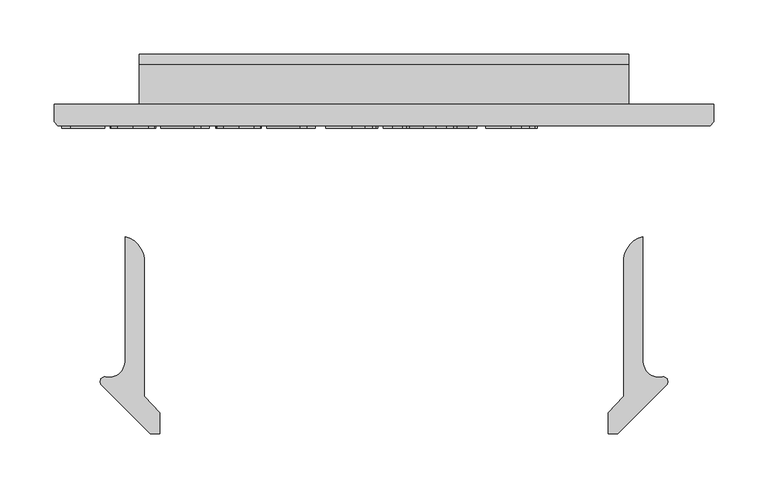
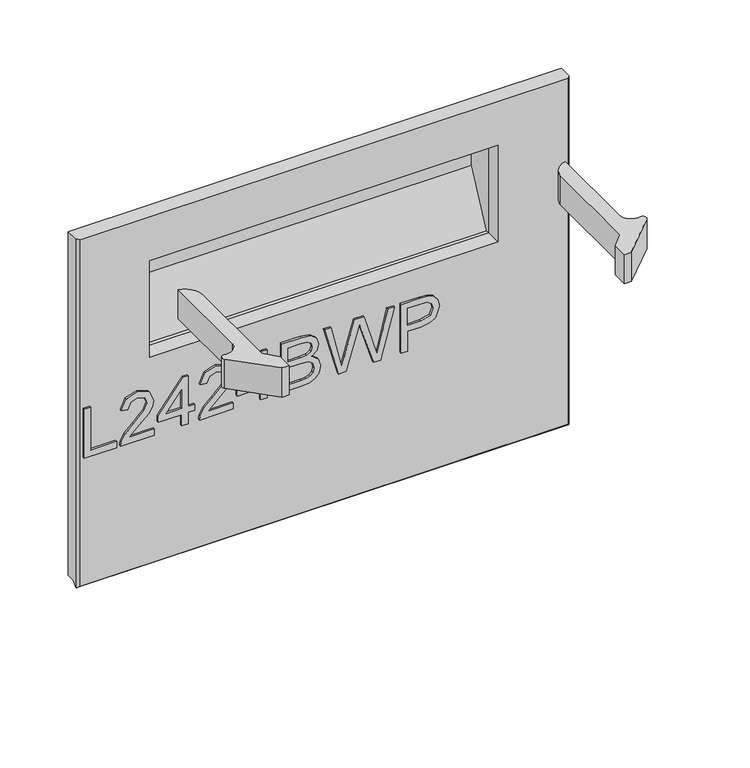
"""IFC4 building model written with IfcOpenShell, lengths in millimetres: furniture geometry."""

import ifcopenshell
import ifcopenshell.guid

model = None  # the IFC model being written
_history = None  # IfcOwnerHistory: only IFC2X3 demands one
_inside = {}  # id of a spatial element -> (the spatial element, [elements in it])
_under = {}  # id of a project, library or spatial element -> (it, [spatial elements below it])
_declared = {}  # id of a project -> (the project, [libraries it declares])
_typed = {}  # id of a type object -> (the type object, [elements of that type])
_made_of = {}  # id of a material, layer set ... -> (it, [elements and type objects made of it])


def new_model(schema):
    """Start an empty IFC model of exactly this schema.

    Asked for "IFC4X3", IfcOpenShell would pick the latest addendum, in which some entities
    have other attributes; the version numbers below select the first issue.
    IFC2X3 requires an IfcOwnerHistory on every rooted entity: one is made here for all.
    """
    global model, _history
    if schema == "IFC4X3":
        model = ifcopenshell.file(schema_version=(4, 3, 0, 0))
    else:
        model = ifcopenshell.file(schema=schema)
    _inside.clear()
    _under.clear()
    _declared.clear()
    _typed.clear()
    _made_of.clear()
    _history = None
    if model.schema == "IFC2X3":
        org = make("IfcOrganization", Name="unknown")
        user = make(
            "IfcPersonAndOrganization",
            ThePerson=make("IfcPerson", FamilyName="unknown"),
            TheOrganization=org,
        )
        app = make(
            "IfcApplication",
            ApplicationDeveloper=org,
            Version="unknown",
            ApplicationFullName="unknown",
            ApplicationIdentifier="unknown",
        )
        _history = make(
            "IfcOwnerHistory",
            OwningUser=user,
            OwningApplication=app,
            ChangeAction="ADDED",
            CreationDate=0,
        )
    return model


def make(cls, **values):
    """One entity of the class cls with the attributes given. An attribute that is None is left unset."""
    return model.create_entity(
        cls, **{name: value for name, value in values.items() if value is not None}
    )


def rooted(cls, **values):
    """An entity with a GlobalId (a new one), such as an element, a storey or a relation."""
    return make(cls, GlobalId=ifcopenshell.guid.new(), OwnerHistory=_history, **values)


def si_unit(unit_type, name, prefix=None):
    """IfcSIUnit, for example si_unit("LENGTHUNIT", "METRE", prefix="MILLI")."""
    return make("IfcSIUnit", UnitType=unit_type, Prefix=prefix, Name=name)


def assignment(units):
    """IfcUnitAssignment: the units of a project."""
    return None if units is None else make("IfcUnitAssignment", Units=units)


def point(xyz):
    """IfcCartesianPoint."""
    return None if xyz is None else make("IfcCartesianPoint", Coordinates=xyz)


def direction(xyz):
    """IfcDirection."""
    return None if xyz is None else make("IfcDirection", DirectionRatios=xyz)


def frame(location, z_axis=None, x_axis=None):
    """IfcAxis2Placement3D, a coordinate frame: its origin and axes. An axis left out is left unset."""
    return make(
        "IfcAxis2Placement3D",
        Location=point(location),
        Axis=direction(z_axis),
        RefDirection=direction(x_axis),
    )


def frame_2d(location, x_axis=None):
    """IfcAxis2Placement2D, a coordinate frame in the plane: its origin and x axis."""
    return make(
        "IfcAxis2Placement2D", Location=point(location), RefDirection=direction(x_axis)
    )


def origin():
    """The frame at (0, 0, 0) with its axes left unset."""
    return frame((0.0, 0.0, 0.0))


def place(relative_to, where):
    """IfcLocalPlacement: puts the frame where relative to a parent placement (None: the world)."""
    return make(
        "IfcLocalPlacement", PlacementRelTo=relative_to, RelativePlacement=where
    )


def context(
    kind, dimensions, precision=None, world=None, true_north=None, identifier=None
):
    """IfcGeometricRepresentationContext, for example the 3D "Model" context."""
    return make(
        "IfcGeometricRepresentationContext",
        ContextIdentifier=identifier,
        ContextType=kind,
        CoordinateSpaceDimension=dimensions,
        Precision=precision,
        WorldCoordinateSystem=world,
        TrueNorth=true_north,
    )


def project(units=None, contexts=None):
    """IfcProject with its units and contexts."""
    return rooted(
        "IfcProject",
        Name="project",
        RepresentationContexts=contexts,
        UnitsInContext=assignment(units),
    )


def spatial(cls, under=None, at=None, **own):
    """A site, building, storey or space (cls), placed at a placement, below another one or the project."""
    s = rooted(cls, ObjectPlacement=at, **own)
    if under is not None:
        _under.setdefault(under.id(), (under, []))[1].append(s)
    return s


def polyline(points):
    """IfcPolyline through the points."""
    return make("IfcPolyline", Points=[point(p) for p in points])


def circle_curve(where, radius):
    """IfcCircle in the frame where."""
    return make("IfcCircle", Position=where, Radius=radius)


def trimmed(basis, trim1, trim2, sense, master):
    """IfcTrimmedCurve: the piece of a basis curve between two trims."""
    return make(
        "IfcTrimmedCurve",
        BasisCurve=basis,
        Trim1=trim1,
        Trim2=trim2,
        SenseAgreement=sense,
        MasterRepresentation=master,
    )


def segment(curve, same_sense, transition):
    """IfcCompositeCurveSegment."""
    return make(
        "IfcCompositeCurveSegment",
        Transition=transition,
        SameSense=same_sense,
        ParentCurve=curve,
    )


def composite_curve(segments, self_intersect=None):
    """IfcCompositeCurve: segments joined end to end."""
    return make("IfcCompositeCurve", Segments=segments, SelfIntersect=self_intersect)


def outline(outer, holes=None, kind="AREA"):
    """IfcArbitraryClosedProfileDef: a profile drawn as a closed curve; with holes, ...WithVoids."""
    if holes is None:
        return make("IfcArbitraryClosedProfileDef", ProfileType=kind, OuterCurve=outer)
    return make(
        "IfcArbitraryProfileDefWithVoids",
        ProfileType=kind,
        OuterCurve=outer,
        InnerCurves=holes,
    )


def extrude(swept, where, along, depth):
    """IfcExtrudedAreaSolid: the profile swept, set in the frame where, extruded along a direction by depth."""
    return make(
        "IfcExtrudedAreaSolid",
        SweptArea=swept,
        Position=where,
        ExtrudedDirection=direction(along),
        Depth=depth,
    )


def faces_of(points, faces, orient=None, outer=None):
    """IfcFace entities. A face is a list of loops; a loop is a list of indices into points, from 0.

    orient and outer hold one flag for each loop. By default every Orientation is true, the
    first loop of a face is its IfcFaceOuterBound and the others are IfcFaceBound.
    """
    made = []
    for i, loops in enumerate(faces):
        bounds = []
        for j, loop in enumerate(loops):
            is_outer = j == 0 if outer is None else outer[i][j]
            bounds.append(
                make(
                    "IfcFaceOuterBound" if is_outer else "IfcFaceBound",
                    Bound=make("IfcPolyLoop", Polygon=[points[k] for k in loop]),
                    Orientation=True if orient is None else orient[i][j],
                )
            )
        made.append(make("IfcFace", Bounds=bounds))
    return made


def faceted_brep(points, faces, orient=None, outer=None, voids=None):
    """IfcFacetedBrep: a solid bounded by flat faces; with voids (closed shells), ...WithVoids."""
    shared = [point(p) for p in points]
    hull = make("IfcClosedShell", CfsFaces=faces_of(shared, faces, orient, outer))
    if voids is None:
        return make("IfcFacetedBrep", Outer=hull)
    return make(
        "IfcFacetedBrepWithVoids",
        Outer=hull,
        Voids=[
            make(cls, CfsFaces=faces_of(shared, fs, o, b)) for cls, fs, o, b in voids
        ],
    )


def shape(context_of_items, identifier, shape_type, items):
    """IfcShapeRepresentation: the items that make up one representation, for example the "Body"."""
    return make(
        "IfcShapeRepresentation",
        ContextOfItems=context_of_items,
        RepresentationIdentifier=identifier,
        RepresentationType=shape_type,
        Items=items,
    )


def source(mapping_origin, context_of_items, identifier, shape_type, items):
    """IfcRepresentationMap: a shape defined once, which mapped items show again and again."""
    return make(
        "IfcRepresentationMap",
        MappingOrigin=mapping_origin,
        MappedRepresentation=shape(context_of_items, identifier, shape_type, items),
    )


def transform(
    local_origin,
    x_axis=None,
    y_axis=None,
    z_axis=None,
    scale=None,
    scale2=None,
    scale3=None,
    uniform=True,
):
    """IfcCartesianTransformationOperator3D, or its non-uniform kind. x_axis, y_axis, z_axis: its Axis1, 2, 3."""
    if uniform:
        return make(
            "IfcCartesianTransformationOperator3D",
            Axis1=direction(x_axis),
            Axis2=direction(y_axis),
            LocalOrigin=point(local_origin),
            Scale=scale,
            Axis3=direction(z_axis),
        )
    return make(
        "IfcCartesianTransformationOperator3DnonUniform",
        Axis1=direction(x_axis),
        Axis2=direction(y_axis),
        LocalOrigin=point(local_origin),
        Scale=scale,
        Axis3=direction(z_axis),
        Scale2=scale2,
        Scale3=scale3,
    )


def mapped(mapping_source, mapping_target):
    """IfcMappedItem: shows the shape of a source again, moved by a transform."""
    return make(
        "IfcMappedItem", MappingSource=mapping_source, MappingTarget=mapping_target
    )


def made_of(thing, what):
    """Note that an element or type object is made of a material, layer set ...; save() writes the relation."""
    if what is not None:
        _made_of.setdefault(what.id(), (what, []))[1].append(thing)
    return thing


def element(
    cls,
    number,
    at=None,
    inside=None,
    cuts=None,
    type_object=None,
    material=None,
    context=None,
    identifier="Body",
    shape_type=None,
    held_by="IfcProductDefinitionShape",
    body=None,
    shapes=None,
    **own,
):
    """One element of the class cls, such as IfcWall. Its Tag is "e" and its number.

    at: its placement. inside: the storey or other place that contains it. cuts: it is an
    opening in that element (IfcRelVoidsElement). A single representation is given by context,
    identifier, shape_type and body (its items); several are given by shapes. held_by: the class
    of the entity that holds the representations. save() writes the other relations.
    """
    e = rooted(cls, Tag="e%d" % number, ObjectPlacement=at, **own)
    if body is not None:
        shapes = [shape(context, identifier, shape_type, body)]
    if shapes is not None:
        e.Representation = make(held_by, Representations=shapes)
    if inside is not None:
        _inside.setdefault(inside.id(), (inside, []))[1].append(e)
    if cuts is not None:
        rooted(
            "IfcRelVoidsElement", RelatingBuildingElement=cuts, RelatedOpeningElement=e
        )
    if type_object is not None:
        _typed.setdefault(type_object.id(), (type_object, []))[1].append(e)
    return made_of(e, material)


def aggregate(whole, parts):
    """IfcRelAggregates: a whole, such as a stair, and the parts it consists of."""
    return rooted("IfcRelAggregates", RelatingObject=whole, RelatedObjects=parts)


def save(model, path):
    """Write the relations noted so far, then the file.

    IfcRelAggregates (storeys below a building ...), IfcRelContainedInSpatialStructure (elements
    in a storey), IfcRelDefinesByType, IfcRelAssociatesMaterial and IfcRelDeclares: one each for
    every whole, place, type object, material and project.
    """
    for whole, parts in _under.values():
        aggregate(whole, parts)
    for where, things in _inside.values():
        rooted(
            "IfcRelContainedInSpatialStructure",
            RelatedElements=things,
            RelatingStructure=where,
        )
    for kind, things in _typed.values():
        rooted("IfcRelDefinesByType", RelatedObjects=things, RelatingType=kind)
    for what, things in _made_of.values():
        rooted("IfcRelAssociatesMaterial", RelatedObjects=things, RelatingMaterial=what)
    for by, libraries in _declared.values():
        rooted("IfcRelDeclares", RelatingContext=by, RelatedDefinitions=libraries)
    model.write(path)


def plane_surface(at):
    """IfcPlane: the flat surface through the origin of the frame at, square to its z axis."""
    return make("IfcPlane", Position=at)


def cylinder_surface(at, radius):
    """IfcCylindricalSurface: all points at the distance radius from the z axis of the frame at."""
    return make("IfcCylindricalSurface", Position=at, Radius=radius)


def advanced_brep(points, edges, surfaces, faces):
    """IfcAdvancedBrep: a solid bounded by faces that lie on surfaces and meet in shared edges.

    An edge is (start, end): straight between two places in points (the first is 0);
    or (start, end, curve); or (start, end, curve, False) where it runs against its curve.
    A face is (place in surfaces, loops), or (place, loops, False) where it looks against
    its surface's normal. A loop lists edges by number (the first is 1), with a minus sign
    where the edge is run from its end to its start. The first loop is the outer one.
    """
    corners = [point(p) for p in points]
    vertices = [make("IfcVertexPoint", VertexGeometry=c) for c in corners]
    made = []
    for start, end, *more in edges:
        made.append(
            make(
                "IfcEdgeCurve",
                EdgeStart=vertices[start],
                EdgeEnd=vertices[end],
                EdgeGeometry=more[0] if more else make("IfcPolyline", Points=[corners[start], corners[end]]),
                SameSense=more[1] if len(more) > 1 else True,
            )
        )
    hull = []
    for where, loops, *sense in faces:
        bounds = []
        for j, loop in enumerate(loops):
            ring = [make("IfcOrientedEdge", EdgeElement=made[abs(k) - 1], Orientation=k > 0) for k in loop]
            bounds.append(
                make(
                    "IfcFaceOuterBound" if j == 0 else "IfcFaceBound",
                    Bound=make("IfcEdgeLoop", EdgeList=ring),
                    Orientation=True,
                )
            )
        hull.append(make("IfcAdvancedFace", Bounds=bounds, FaceSurface=surfaces[where], SameSense=sense[0] if sense else True))
    return make("IfcAdvancedBrep", Outer=make("IfcClosedShell", CfsFaces=hull))


def furniture_903c7173(model_context):
    return source(origin(), model_context, "Body", "SolidModel", [
        extrude(outline(polyline([(676.671875, -279.0852904), (676.671875, -239.2166923), (684.6455946, -239.2166923), (684.6455946, -271.1115708), (740.4616319, -271.1115708), (740.4616319, -279.0852904), (676.671875, -279.0852904)])), frame((0.0, -21.9273437, 0.0), z_axis=(0.0, 1.0, 0.0), x_axis=(0.0, 0.0, 1.0)), (0.0, 0.0, 1.0), 2.38125),
        extrude(outline(polyline([(684.6455946, -192.3710896), (684.6455946, -223.6897422), (688.7025359, -220.0922242), (696.372569, -210.9193319), (707.2974993, -199.4960441), (715.1154822, -194.7850086), (722.6764995, -193.3678045), (735.3534678, -198.6239185), (740.4616319, -212.8971881), (735.867399, -227.1237367), (722.5207628, -233.2364026), (721.5240479, -225.262683), (729.5756358, -221.9065569), (732.4879123, -213.0684985), (729.5055543, -204.5886346), (722.1937157, -201.3415241), (713.1609865, -204.7833055), (699.876645, -218.5504307), (690.6336712, -228.5331539), (682.1693809, -233.3765657), (676.671875, -234.2331176), (676.671875, -192.3710896), (684.6455946, -192.3710896)])), frame((0.0, -21.9273437, 0.0), z_axis=(0.0, 1.0, 0.0), x_axis=(0.0, 0.0, 1.0)), (0.0, 0.0, 1.0), 2.38125),
        extrude(outline(polyline([(676.671875, -158.4827812), (676.671875, -150.5090616), (691.6225993, -150.5090616), (691.6225993, -142.535342), (699.5963189, -142.535342), (699.5963189, -150.5090616), (739.464917, -150.5090616), (739.464917, -156.4893513), (699.5963189, -187.3875148), (691.6225993, -187.3875148), (691.6225993, -158.4827812), (676.671875, -158.4827812)]), holes=[polyline([(699.5963189, -158.4827812), (699.5963189, -177.576102), (724.2338666, -158.4827812), (699.5963189, -158.4827812)])]), frame((0.0, -21.9273437, 0.0), z_axis=(0.0, 1.0, 0.0), x_axis=(0.0, 0.0, 1.0)), (0.0, 0.0, 1.0), 2.38125),
        extrude(outline(polyline([(684.6455946, -94.6930242), (684.6455946, -126.0116769), (688.7025359, -122.4141589), (696.372569, -113.2412666), (707.2974993, -101.8179788), (715.1154822, -97.1069433), (722.6764995, -95.6897392), (735.3534678, -100.9458532), (740.4616319, -115.2191228), (735.867399, -129.4456714), (722.5207628, -135.5583373), (721.5240479, -127.5846177), (729.5756358, -124.2284915), (732.4879123, -115.3904332), (729.5055543, -106.9105692), (722.1937157, -103.6634588), (713.1609865, -107.1052401), (699.876645, -120.8723654), (690.6336712, -130.8550886), (682.1693809, -135.6985003), (676.671875, -136.5550522), (676.671875, -94.6930242), (684.6455946, -94.6930242)])), frame((0.0, -21.9273437, 0.0), z_axis=(0.0, 1.0, 0.0), x_axis=(0.0, 0.0, 1.0)), (0.0, 0.0, 1.0), 2.38125),
        extrude(outline(polyline([(676.671875, -60.8047159), (676.671875, -52.8309963), (691.6225993, -52.8309963), (691.6225993, -44.8572766), (699.5963189, -44.8572766), (699.5963189, -52.8309963), (739.464917, -52.8309963), (739.464917, -58.811286), (699.5963189, -89.7094495), (691.6225993, -89.7094495), (691.6225993, -60.8047159), (676.671875, -60.8047159)]), holes=[polyline([(699.5963189, -60.8047159), (699.5963189, -79.8980367), (724.2338666, -60.8047159), (699.5963189, -60.8047159)])]), frame((0.0, -21.9273437, 0.0), z_axis=(0.0, 1.0, 0.0), x_axis=(0.0, 0.0, 1.0)), (0.0, 0.0, 1.0), 2.38125),
        extrude(outline(polyline([(676.671875, -34.8901271), (676.671875, -10.7353632), (677.7698188, -0.5112481), (681.0091424, 6.4268224), (687.1140215, 11.0755632), (695.6873274, 12.9521906), (705.607756, 10.2034376), (711.5568983, 2.3465206), (717.2023541, 8.8173809), (724.6543557, 10.9587607), (732.8149594, 8.4124655), (738.5850046, 1.3731661), (740.4616319, -10.5484791), (740.4616319, -34.8901271), (676.671875, -34.8901271)]), holes=[polyline([(714.5470432, -26.9164075), (732.4879123, -26.9164075), (732.4879123, -13.4607556), (731.6547209, -3.21328), (728.5789209, 1.3809529), (723.3773147, 2.9850411), (718.1834954, 1.2641504), (715.2322847, -3.8518006), (714.5470432, -12.355025), (714.5470432, -26.9164075)]), polyline([(684.6455946, -26.9164075), (706.5733236, -26.9164075), (706.5733236, -11.3427364), (705.5065271, -1.4923894), (701.8077802, 3.4522512), (695.6094591, 4.978471), (690.2365426, 3.6780694), (686.6935324, 0.3608775), (684.957068, -4.6460578), (684.6455946, -10.5640528), (684.6455946, -26.9164075)])]), frame((0.0, -21.9273437, 0.0), z_axis=(0.0, 1.0, 0.0), x_axis=(0.0, 0.0, 1.0)), (0.0, 0.0, 1.0), 2.38125),
        extrude(outline(polyline([(676.671875, 35.331556), (676.671875, 44.9560848), (724.4830454, 58.8945204), (732.7526647, 61.2928658), (725.8846758, 63.4264587), (676.671875, 78.7198038), (676.671875, 87.2386019), (740.4616319, 104.6499662), (740.4616319, 96.4270678), (698.1635412, 86.2418869), (685.5955886, 83.2205947), (708.9872426, 76.3837531), (740.4616319, 67.1952871), (740.4616319, 55.3437234), (697.0422368, 42.6979025), (685.5955886, 39.3651368), (698.5373093, 36.2504026), (740.4616319, 26.1586637), (740.4616319, 17.9357654), (676.671875, 35.331556)])), frame((0.0, -21.9273437, 0.0), z_axis=(0.0, 1.0, 0.0), x_axis=(0.0, 0.0, 1.0)), (0.0, 0.0, 1.0), 2.38125),
        extrude(outline(polyline([(676.671875, 112.6236858), (676.671875, 120.5974054), (702.5864638, 120.5974054), (702.5864638, 136.8095971), (703.995881, 148.1374961), (708.2241327, 155.3344789), (722.0068317, 160.4660035), (730.704727, 158.5660157), (736.8719007, 153.5435067), (739.8542588, 145.7956053), (740.4616319, 136.2645186), (740.4616319, 112.6236858), (676.671875, 112.6236858)]), holes=[polyline([(710.5601834, 120.5974054), (732.4879123, 120.5974054), (732.4879123, 137.0899232), (731.9428338, 145.0636428), (728.3297421, 150.4443462), (721.7265056, 152.4922839), (713.4880335, 149.0193553), (710.5601834, 137.2768072), (710.5601834, 120.5974054)])]), frame((0.0, -21.9273437, 0.0), z_axis=(0.0, 1.0, 0.0), x_axis=(0.0, 0.0, 1.0)), (0.0, 0.0, 1.0), 2.38125),
        extrude(outline(composite_curve([segment(polyline([(-220.5642823, -238.3618073), (-220.5642823, -122.0390625)]), True, "CONTINUOUS"), segment(trimmed(circle_curve(frame_2d((-226.2037181, -144.8953097)), 23.5416922), [point((-220.5642823, -122.0390625))], [point((-202.8305174, -142.0837692))], False, "CARTESIAN"), True, "CONTINUOUS"), segment(polyline([(-202.8305174, -142.0837692), (-202.8305174, -269.3995294), (-188.5302638, -285.0128136), (-188.5302638, -304.0572038), (-197.3624851, -304.0572038), (-242.2212719, -259.1984169)]), True, "CONTINUOUS"), segment(trimmed(circle_curve(frame_2d((-239.0740027, -256.0511477)), 4.4509108), [point((-242.2212719, -259.1984169))], [point((-238.9835432, -251.6011563))], False, "CARTESIAN"), True, "CONTINUOUS"), segment(trimmed(circle_curve(frame_2d((-235.2976543, -237.2965695)), 14.7718306), [point((-238.9835432, -251.6011563))], [point((-220.5642823, -238.3618073))], True, "CARTESIAN"), True, "CONTINUOUS")], self_intersect=False)), frame((0.0, 0.0, 899.0607534), z_axis=(0.0, 0.0, 1.0), x_axis=(1.0, 0.0, 0.0)), (0.0, 0.0, 1.0), 38.1000023),
        extrude(outline(composite_curve([segment(trimmed(circle_curve(frame_2d((272.7730641, -237.2965695)), 14.7718306), [point((258.0396922, -238.3618073))], [point((276.4589531, -251.6011563))], True, "CARTESIAN"), True, "CONTINUOUS"), segment(trimmed(circle_curve(frame_2d((276.5494126, -256.0511477)), 4.4509108), [point((276.4589531, -251.6011563))], [point((279.6966818, -259.1984169))], False, "CARTESIAN"), True, "CONTINUOUS"), segment(polyline([(279.6966818, -259.1984169), (234.8378949, -304.0572038), (226.0056737, -304.0572038), (226.0056737, -285.0128136), (240.3059273, -269.3995294), (240.3059273, -142.0837692)]), True, "CONTINUOUS"), segment(trimmed(circle_curve(frame_2d((263.679128, -144.8953097)), 23.5416922), [point((240.3059273, -142.0837692))], [point((258.0396922, -122.0390625))], False, "CARTESIAN"), True, "CONTINUOUS"), segment(polyline([(258.0396922, -122.0390625), (258.0396922, -238.3618073)]), True, "CONTINUOUS")], self_intersect=False)), frame((0.0, 0.0, 899.0607534), z_axis=(0.0, 0.0, 1.0), x_axis=(1.0, 0.0, 0.0)), (0.0, 0.0, 1.0), 38.1000023),
        faceted_brep([(-286.0622951, 0.0, 512.7625), (323.5377049, 0.0, 512.7625), (323.5377049, -10.0210938, 512.7625), (-286.0622951, -10.0210937, 512.7625), (323.5377049, 0.0, 962.088275), (-286.0622951, 0.0, 962.088275), (-286.0622951, -15.9900937, 962.088275), (-282.8872951, -19.5460937, 962.088275), (320.3627049, -19.5460937, 962.088275), (323.5377049, -15.9900937, 962.088275), (-286.0622951, -15.9900937, 506.7935), (-282.8872951, -19.5460937, 509.5875), (320.3627049, -19.5460937, 509.5875), (-196.5178471, -19.5460937, 778.2717826), (-196.5178471, -19.5460937, 904.7321978), (233.9932569, -19.5460937, 904.7321978), (233.9932569, -19.5460937, 778.2717826), (323.5377049, -15.9900937, 506.7935), (-196.5178471, 0.0, 904.7321978), (-196.5178471, 0.0, 778.2717826), (233.9932569, 0.0, 778.2717826), (233.9932569, 0.0, 904.7321978), (323.1975263, -16.3710938, 506.4125), (-285.7221165, -16.3710937, 506.4125)], [[[0, 1, 2, 3]], [[4, 5, 6, 7, 8, 9]], [[5, 0, 3, 10, 6]], [[8, 7, 11, 12], [13, 14, 15, 16]], [[1, 4, 9, 17, 2]], [[1, 0, 5, 4], [18, 19, 20, 21]], [[13, 19, 18, 14]], [[15, 21, 20, 16]], [[14, 18, 21, 15]], [[19, 13, 16, 20]], [[3, 2, 17, 22, 23, 10]], [[12, 11, 23, 22]], [[7, 6, 10, 23, 11]], [[9, 8, 12, 22, 17]]]),
        advanced_brep(
        [(-207.3226381, 36.9472097, 914.3062197), (-207.3226381, 46.5212315, 904.7321978), (-207.3226381, 46.5212315, 844.0302143), (-207.3226381, 39.9742542, 820.2170149), (-207.3226381, 16.1316421, 778.2717826), (-207.3226381, 0.0, 768.1118468), (-207.3226381, 0.0, 914.3062197), (244.798048, 36.9472097, 914.3062197), (244.798048, 0.0, 914.3062197), (244.798048, 0.0, 768.1118468), (244.798048, 16.1316421, 778.2717826), (244.798048, 39.9742542, 820.2170149), (244.798048, 46.5212315, 844.0302143), (244.798048, 46.5212315, 904.7321978), (-196.5178471, 0.0, 778.2717826), (-196.5178471, 0.0, 904.7321978), (233.9932569, 0.0, 904.7321978), (233.9932569, 0.0, 778.2717826), (-196.5178471, 4.9248726, 778.2717826), (-196.5178471, 36.9472097, 844.0302143), (-196.5178471, 36.9472097, 904.7321978), (233.9932569, 36.9472097, 904.7321978), (233.9932569, 36.9472097, 844.0302143), (233.9932569, 4.9248726, 778.2717826)],
        [
            (0, 1, circle_curve(frame((-207.3226381, 36.9472097, 904.7321978), z_axis=(-1.0, 0.0, 0.0), x_axis=(0.0, -1.0, 0.0)), 9.5740219)),
            (1, 2),
            (2, 3, circle_curve(frame((-207.3226381, -3.6609663, 845.0202543), z_axis=(-1.0, 0.0, 0.0), x_axis=(0.0, -1.0, 0.0)), 50.1919631)),
            (3, 4),
            (4, 5, circle_curve(frame((-207.3226381, -1.4154997, 788.2459722), z_axis=(-1.0, 0.0, 0.0), x_axis=(0.0, -1.0, 0.0)), 20.1838213)),
            (5, 6),
            (6, 0),
            (7, 8),
            (8, 9),
            (9, 10, circle_curve(frame((244.798048, -1.4154997, 788.2459722), z_axis=(1.0, 0.0, 0.0), x_axis=(0.0, -1.0, 0.0)), 20.1838213)),
            (10, 11),
            (11, 12, circle_curve(frame((244.798048, -3.6609663, 845.0202543), z_axis=(1.0, 0.0, 0.0), x_axis=(0.0, -1.0, 0.0)), 50.1919631)),
            (12, 13),
            (13, 7, circle_curve(frame((244.798048, 36.9472097, 904.7321978), z_axis=(1.0, 0.0, 0.0), x_axis=(0.0, -1.0, 0.0)), 9.5740219)),
            (0, 7),
            (13, 1),
            (12, 2),
            (11, 3),
            (10, 4),
            (9, 5),
            (8, 6),
            (14, 15),
            (15, 16),
            (16, 17),
            (17, 14),
            (18, 19),
            (19, 20),
            (20, 15),
            (14, 18),
            (21, 22),
            (22, 23),
            (23, 17),
            (16, 21),
            (20, 21),
            (19, 22),
            (18, 23),
        ],
        [
            plane_surface(frame((-207.3226381, 27.3731878, 904.7321978), z_axis=(-1.0, 0.0, 0.0), x_axis=(0.0, 0.0, 1.0))),
            plane_surface(frame((244.798048, 27.3731878, 904.7321978), z_axis=(1.0, 0.0, 0.0), x_axis=(0.0, 0.0, -1.0))),
            cylinder_surface(frame((244.798048, 36.9472097, 904.7321978), z_axis=(-1.0, 0.0, 0.0), x_axis=(0.0, -1.0, 0.0)), 9.5740219),
            plane_surface(frame((-207.3226381, 46.5212315, 904.7321978), z_axis=(0.0, 1.0, 1.1361259774154284e-12), x_axis=(1.0, 0.0, 0.0))),
            cylinder_surface(frame((244.798048, -3.6609663, 845.0202543), z_axis=(-1.0, 0.0, 0.0), x_axis=(0.0, -1.0, 0.0)), 50.1919631),
            plane_surface(frame((-207.3226381, 39.9742542, 820.2170149), z_axis=(0.0, 0.8693666847317663, -0.4941675500055601), x_axis=(1.0, 0.0, 0.0))),
            cylinder_surface(frame((244.798048, -1.4154997, 788.2459722), z_axis=(-1.0, 0.0, 0.0), x_axis=(0.0, -1.0, 0.0)), 20.1838213),
            plane_surface(frame((-207.3226381, 0.0, 768.1118468), z_axis=(0.0, -1.0, 0.0), x_axis=(1.0, 0.0, 0.0))),
            plane_surface(frame((-207.3226381, 0.0, 914.3062197), z_axis=(0.0, 0.0, 1.0), x_axis=(1.0, 0.0, 0.0))),
            plane_surface(frame((-196.5178471, 36.9472097, 904.7321978), z_axis=(1.0, 0.0, 0.0), x_axis=(0.0, 1.0, 0.0))),
            plane_surface(frame((233.9932569, 36.9472097, 904.7321978), z_axis=(-1.0, 0.0, 0.0), x_axis=(0.0, -1.0, 0.0))),
            plane_surface(frame((-196.5178471, -19.5460937, 904.7321978), z_axis=(0.0, 0.0, -1.0), x_axis=(1.0, 0.0, 0.0))),
            plane_surface(frame((-196.5178471, 36.9472097, 904.7321978), z_axis=(0.0, -1.0, 0.0), x_axis=(1.0, 0.0, 0.0))),
            plane_surface(frame((-196.5178471, 36.9472097, 844.0302143), z_axis=(0.0, -0.8990642615843079, 0.4378166894281937), x_axis=(1.0, 0.0, 0.0))),
            plane_surface(frame((-196.5178471, 4.9248726, 778.2717826), z_axis=(0.0, 0.0, 1.0), x_axis=(1.0, 0.0, 0.0))),
        ],
        [
            (0, [[1, 2, 3, 4, 5, 6, 7]]),
            (1, [[8, 9, 10, 11, 12, 13, 14]]),
            (2, [[-1, 15, -14, 16]]),
            (3, [[-2, -16, -13, 17]]),
            (4, [[-3, -17, -12, 18]]),
            (5, [[-4, -18, -11, 19]]),
            (6, [[-5, -19, -10, 20]]),
            (7, [[-6, -20, -9, 21], [22, 23, 24, 25]]),
            (8, [[-7, -21, -8, -15]]),
            (9, [[26, 27, 28, -22, 29]]),
            (10, [[30, 31, 32, -24, 33]]),
            (11, [[34, -33, -23, -28]]),
            (12, [[-27, 35, -30, -34]]),
            (13, [[-26, 36, -31, -35]]),
            (14, [[-36, -29, -25, -32]]),
        ],
    ),
    ])


if __name__ == "__main__":
    model = new_model("IFC4")
    model_context = context("Model", 3, world=origin())
    ifc_project = project(units=[si_unit("LENGTHUNIT", "METRE", prefix="MILLI")], contexts=[model_context])
    site = spatial("IfcSite", under=ifc_project)
    building = spatial("IfcBuilding", under=site)
    placement = place(None, origin())
    furniture_shape = furniture_903c7173(model_context)
    element("IfcFurniture", 1, at=placement, inside=building, context=model_context, shape_type="MappedRepresentation", body=[
        mapped(furniture_shape, transform((0.0, 0.0, 0.0), x_axis=(1.0, 0.0, 0.0), y_axis=(0.0, 1.0, 0.0), z_axis=(0.0, 0.0, 1.0))),
    ])
    save(model, "model.ifc")
